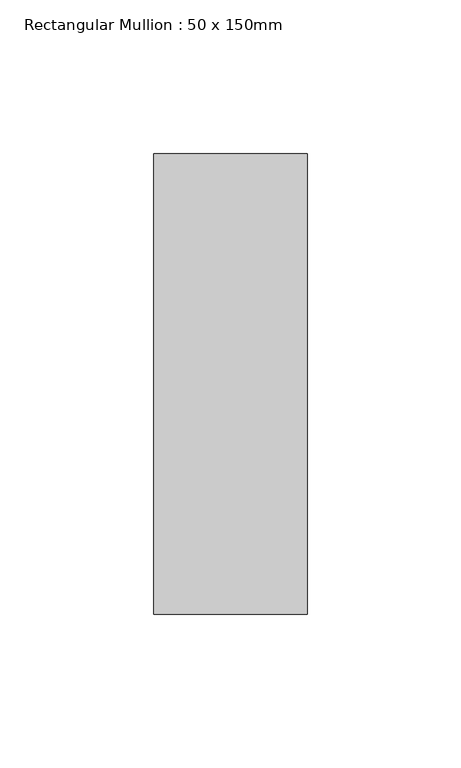
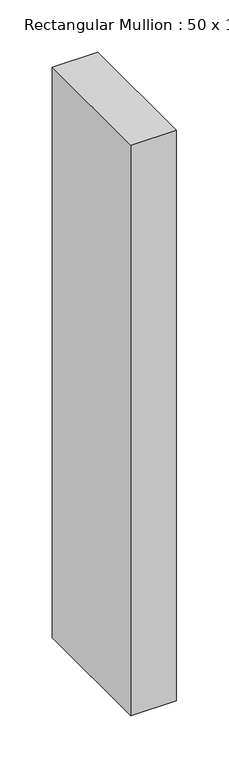
"""IFC4 building model written with IfcOpenShell, lengths in millimetres: member geometry, Rectangular Mullion : 50 x 150mm."""

from ifc_helpers import new_model, si_unit, frame, origin, place, context, project, spatial, polyline, outline, extrude, source, transform, mapped, element, save


def rectangular_mullion_50_x_150mm_963f4f0b(model_context):
    return source(origin(), model_context, "Body", "SweptSolid", [
        extrude(outline(polyline([(25.0, 75.0), (25.0, -75.0), (-25.0, -75.0), (-25.0, 75.0), (25.0, 75.0)])), frame((0.0, 0.0, -665.0), z_axis=(0.0, 0.0, 1.0), x_axis=(1.0, 0.0, 0.0)), (0.0, 0.0, 1.0), 665.0),
    ])


if __name__ == "__main__":
    model = new_model("IFC4")
    model_context = context("Model", 3, world=origin())
    ifc_project = project(units=[si_unit("LENGTHUNIT", "METRE", prefix="MILLI")], contexts=[model_context])
    site = spatial("IfcSite", under=ifc_project)
    building = spatial("IfcBuilding", under=site)
    placement = place(None, origin())
    rectangular_mullion_50_x_150mm_shape = rectangular_mullion_50_x_150mm_963f4f0b(model_context)
    element("IfcMember", 1, ObjectType="Rectangular Mullion : 50 x 150mm", at=placement, inside=building, context=model_context, shape_type="MappedRepresentation", body=[
        mapped(rectangular_mullion_50_x_150mm_shape, transform((0.0, 0.0, 0.0), x_axis=(1.0, 0.0, 0.0), y_axis=(0.0, 1.0, 0.0), z_axis=(0.0, 0.0, 1.0))),
    ])
    save(model, "model.ifc")
